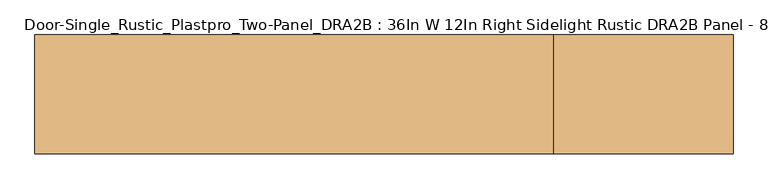
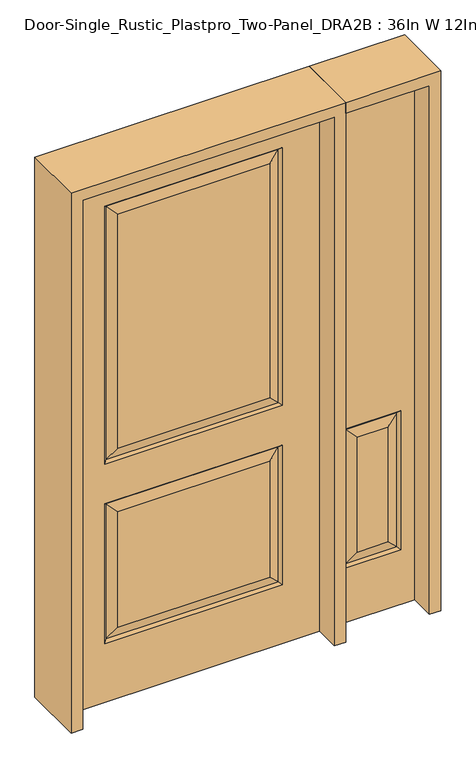
"""IFC4 building model written with IfcOpenShell, lengths in millimetres: door geometry, Door-Single_Rustic_Plastpro_Two-Panel_DRA2B : 36In W 12In Right Sidelight Rustic DRA2B Panel - 80In."""

from ifc_helpers import new_model, si_unit, frame, origin, place, context, project, spatial, polyline, outline, extrude, faceted_brep, source, transform, mapped, element, save


def door_single_rustic_plastpro_two_panel_dra2b_36in_w_12in_73730c0a(model_context):
    return source(origin(), model_context, "Body", "SolidModel", [
        faceted_brep([(803.275, -20.6375, 0.0), (803.275, -20.6375, 2032.0), (498.475, -20.6375, 2032.0), (498.475, -20.6375, 0.0), (549.275, -20.6375, 209.55), (549.275, -20.6375, 742.95), (752.475, -20.6375, 742.95), (752.475, -20.6375, 209.55), (706.4375, -20.6375, 255.5875), (706.4375, -20.6375, 696.9125), (595.3125, -20.6375, 696.9125), (595.3125, -20.6375, 255.5875), (498.475, 20.6375, 0.0), (803.275, 20.6375, 0.0), (498.475, 20.6375, 2032.0), (803.275, 20.6375, 2032.0), (558.2552561, -11.6572439, 218.5302561), (743.4947439, -11.6572439, 218.5302561), (743.4947439, -11.6572439, 733.9697439), (558.2552561, -11.6572439, 733.9697439), (752.475, 20.6375, 209.55), (752.475, 20.6375, 742.95), (549.275, 20.6375, 742.95), (549.275, 20.6375, 209.55), (595.3125, 20.6375, 255.5875), (595.3125, 20.6375, 696.9125), (706.4375, 20.6375, 696.9125), (706.4375, 20.6375, 255.5875), (558.2552561, 11.6572439, 218.5302561), (743.4947439, 11.6572439, 218.5302561), (558.2552561, 11.6572439, 733.9697439), (743.4947439, 11.6572439, 733.9697439)], [[[0, 1, 2, 3], [4, 5, 6, 7]], [[8, 9, 10, 11]], [[3, 12, 13, 0]], [[2, 14, 12, 3]], [[0, 13, 15, 1]], [[16, 4, 7, 17]], [[7, 6, 18, 17]], [[6, 5, 19, 18]], [[16, 19, 5, 4]], [[17, 8, 11, 16]], [[11, 10, 19, 16]], [[18, 19, 10, 9]], [[17, 18, 9, 8]], [[13, 12, 14, 15], [20, 21, 22, 23]], [[24, 25, 26, 27]], [[20, 23, 28, 29]], [[23, 22, 30, 28]], [[31, 30, 22, 21]], [[29, 31, 21, 20]], [[28, 24, 27, 29]], [[27, 26, 31, 29]], [[26, 25, 30, 31]], [[28, 30, 25, 24]], [[1, 15, 14, 2]]]),
        faceted_brep([(457.2, 20.6375, 0.0), (457.2, -20.6375, 0.0), (-457.2, -20.6375, 0.0), (-457.2, 20.6375, 0.0), (457.2, 20.6375, 2032.0), (457.2, -20.6375, 2032.0), (-276.225, -20.6375, 960.4375), (276.225, -20.6375, 960.4375), (276.225, -20.6375, 1858.9625), (-276.225, -20.6375, 1858.9625), (-276.225, -20.6375, 271.4625), (276.225, -20.6375, 271.4625), (276.225, -20.6375, 715.9625), (-276.225, -20.6375, 715.9625), (-457.2, -20.6375, 2032.0), (322.2625, -20.6375, 914.4), (-322.2625, -20.6375, 914.4), (-322.2625, -20.6375, 1905.0), (322.2625, -20.6375, 1905.0), (322.2625, -20.6375, 225.425), (-322.2625, -20.6375, 225.425), (-322.2625, -20.6375, 762.0), (322.2625, -20.6375, 762.0), (-457.2, 20.6375, 2032.0), (-276.225, 20.6375, 715.9625), (276.225, 20.6375, 715.9625), (276.225, 20.6375, 271.4625), (-276.225, 20.6375, 271.4625), (-276.225, 20.6375, 1858.9625), (276.225, 20.6375, 1858.9625), (276.225, 20.6375, 960.4375), (-276.225, 20.6375, 960.4375), (322.2625, 20.6375, 762.0), (-322.2625, 20.6375, 762.0), (-322.2625, 20.6375, 225.425), (322.2625, 20.6375, 225.425), (322.2625, 20.6375, 1905.0), (-322.2625, 20.6375, 1905.0), (-322.2625, 20.6375, 914.4), (322.2625, 20.6375, 914.4), (-313.2822439, 11.6572439, 1896.0197439), (-313.2822439, 11.6572439, 923.3802561), (313.2822439, 11.6572439, 923.3802561), (313.2822439, 11.6572439, 1896.0197439), (313.2822439, 11.6572439, 753.0197439), (-313.2822439, 11.6572439, 753.0197439), (-313.2822439, 11.6572439, 234.4052561), (313.2822439, 11.6572439, 234.4052561), (313.2822439, -11.6572439, 923.3802561), (-313.2822439, -11.6572439, 923.3802561), (-313.2822439, -11.6572439, 1896.0197439), (313.2822439, -11.6572439, 1896.0197439), (313.2822439, -11.6572439, 234.4052561), (-313.2822439, -11.6572439, 234.4052561), (-313.2822439, -11.6572439, 753.0197439), (313.2822439, -11.6572439, 753.0197439)], [[[0, 1, 2, 3]], [[4, 5, 1, 0]], [[6, 7, 8, 9]], [[10, 11, 12, 13]], [[5, 14, 2, 1], [15, 16, 17, 18], [19, 20, 21, 22]], [[14, 23, 3, 2]], [[24, 25, 26, 27]], [[28, 29, 30, 31]], [[23, 4, 0, 3], [32, 33, 34, 35], [36, 37, 38, 39]], [[37, 40, 41, 38]], [[38, 41, 42, 39]], [[43, 36, 39, 42]], [[29, 43, 42, 30]], [[41, 31, 30, 42]], [[40, 28, 31, 41]], [[44, 45, 33, 32]], [[33, 45, 46, 34]], [[34, 46, 47, 35]], [[44, 32, 35, 47]], [[45, 44, 25, 24]], [[25, 44, 47, 26]], [[46, 27, 26, 47]], [[45, 24, 27, 46]], [[48, 49, 16, 15]], [[16, 49, 50, 17]], [[48, 15, 18, 51]], [[49, 48, 7, 6]], [[7, 48, 51, 8]], [[49, 6, 9, 50]], [[52, 53, 20, 19]], [[20, 53, 54, 21]], [[21, 54, 55, 22]], [[52, 19, 22, 55]], [[53, 52, 11, 10]], [[11, 52, 55, 12]], [[54, 13, 12, 55]], [[53, 10, 13, 54]], [[4, 23, 14, 5]], [[17, 50, 51, 18]], [[50, 9, 8, 51]], [[43, 40, 37, 36]], [[40, 43, 29, 28]]]),
        extrude(outline(polyline([(2073.275, -498.475), (0.0, -498.475), (0.0, -457.2), (2032.0, -457.2), (2032.0, 457.2), (0.0, 457.2), (0.0, 498.475), (2073.275, 498.475), (2073.275, -498.475)])), frame((0.0, -114.3, 0.0), z_axis=(0.0, 1.0, 0.0), x_axis=(0.0, 0.0, 1.0)), (0.0, 0.0, 1.0), 228.6),
        extrude(outline(polyline([(0.0, 803.275), (0.0, 844.55), (2073.275, 844.55), (2073.275, 498.475), (2032.0, 498.475), (2032.0, 803.275), (0.0, 803.275)])), frame((0.0, -114.3, 0.0), z_axis=(0.0, 1.0, 0.0), x_axis=(0.0, 0.0, 1.0)), (0.0, 0.0, 1.0), 228.6),
    ])


if __name__ == "__main__":
    model = new_model("IFC4")
    model_context = context("Model", 3, world=origin())
    ifc_project = project(units=[si_unit("LENGTHUNIT", "METRE", prefix="MILLI")], contexts=[model_context])
    site = spatial("IfcSite", under=ifc_project)
    building = spatial("IfcBuilding", under=site)
    placement = place(None, origin())
    door_single_rustic_plastpro_two_panel_dra2b_36in_w_12in_shape = door_single_rustic_plastpro_two_panel_dra2b_36in_w_12in_73730c0a(model_context)
    element("IfcDoor", 1, ObjectType="Door-Single_Rustic_Plastpro_Two-Panel_DRA2B : 36In W 12In Right Sidelight Rustic DRA2B Panel - 80In", at=placement, inside=building, context=model_context, shape_type="MappedRepresentation", body=[
        mapped(door_single_rustic_plastpro_two_panel_dra2b_36in_w_12in_shape, transform((0.0, 0.0, 0.0), x_axis=(1.0, 0.0, 0.0), y_axis=(0.0, 1.0, 0.0), z_axis=(0.0, 0.0, 1.0))),
    ])
    save(model, "model.ifc")
